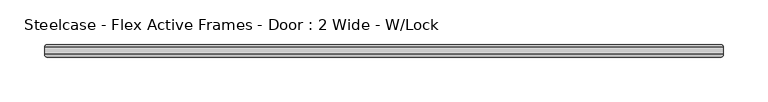
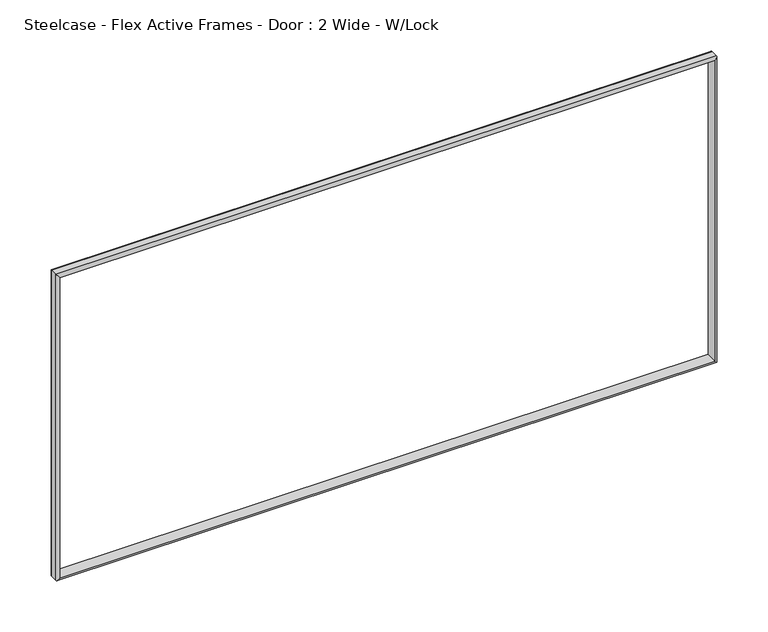
"""IFC4 building model written with IfcOpenShell, lengths in millimetres: furniture geometry, Steelcase - Flex Active Frames - Door : 2 Wide - W/Lock."""

from ifc_helpers import new_model, si_unit, frame, origin, place, context, project, spatial, ellipse_curve, source, transform, mapped, element, save
from ifc_brep_helpers import plane_surface, cylinder_surface, advanced_brep


def steelcase_flex_active_frames_door_2_wide_w_lock_3637c155(model_context):
    return source(origin(), model_context, "Body", "AdvancedBrep", [
        advanced_brep(
        [(774.9260909, -379.5267857, 385.399247), (771.9319422, -382.5209343, 382.4050983), (771.9319422, -382.5209343, 16.3990959), (774.9260909, -379.5267857, 13.4049473), (774.9260909, -371.5066417, 385.399247), (774.9260909, -371.5066417, 13.4049473), (771.9319422, -368.5124931, 382.4050983), (771.9319422, -368.5124931, 16.3990959), (17.9940325, -382.5209343, 16.3990959), (14.9998838, -379.5267857, 13.4049473), (14.9998838, -371.5066417, 13.4049473), (17.9940325, -368.5124931, 16.3990959), (17.9940325, -382.5209343, 382.4050983), (14.9998838, -379.5267857, 385.399247), (14.9998838, -371.5066417, 385.399247), (17.9940325, -368.5124931, 382.4050983)],
        [
            (0, 1, ellipse_curve(frame((771.9319422, -379.5267857, 382.4050983), z_axis=(0.7071067811865475, 0.0, -0.7071067811865475), x_axis=(0.7071067811865474, 0.0, 0.7071067811865476)), 4.2343656, 2.9941486)),
            (1, 2),
            (2, 3, ellipse_curve(frame((771.9319422, -379.5267857, 16.3990959), z_axis=(0.7071067811865475, 0.0, 0.7071067811865475), x_axis=(-0.7071067811865474, 0.0, 0.7071067811865476)), 4.2343656, 2.9941486)),
            (3, 0),
            (4, 0),
            (3, 5),
            (5, 4),
            (6, 4, ellipse_curve(frame((771.9319422, -371.5066417, 382.4050983), z_axis=(0.7071067811865475, 0.0, -0.7071067811865475), x_axis=(0.7071067811865474, 0.0, 0.7071067811865476)), 4.2343656, 2.9941486)),
            (5, 7, ellipse_curve(frame((771.9319422, -371.5066417, 16.3990959), z_axis=(0.7071067811865475, 0.0, 0.7071067811865475), x_axis=(-0.7071067811865474, 0.0, 0.7071067811865476)), 4.2343656, 2.9941486)),
            (7, 6),
            (1, 6),
            (7, 2),
            (2, 8),
            (8, 9, ellipse_curve(frame((17.9940325, -379.5267857, 16.3990959), z_axis=(0.7071067811865426, 0.0, -0.7071067811865525), x_axis=(0.7071067811865525, 0.0, 0.7071067811865426)), 4.2343656, 2.9941486)),
            (9, 3),
            (9, 10),
            (10, 5),
            (10, 11, ellipse_curve(frame((17.9940325, -371.5066417, 16.3990959), z_axis=(0.7071067811865426, 0.0, -0.7071067811865525), x_axis=(0.7071067811865525, 0.0, 0.7071067811865426)), 4.2343656, 2.9941486)),
            (11, 7),
            (11, 8),
            (8, 12),
            (12, 13, ellipse_curve(frame((17.9940325, -379.5267857, 382.4050983), z_axis=(-0.7071067811865526, 0.0, -0.7071067811865426), x_axis=(0.7071067811865426, 0.0, -0.7071067811865523)), 4.2343656, 2.9941486)),
            (13, 9),
            (13, 14),
            (14, 10),
            (14, 15, ellipse_curve(frame((17.9940325, -371.5066417, 382.4050983), z_axis=(-0.7071067811865526, 0.0, -0.7071067811865426), x_axis=(0.7071067811865426, 0.0, -0.7071067811865523)), 4.2343656, 2.9941486)),
            (15, 11),
            (15, 12),
            (12, 1),
            (0, 13),
            (4, 14),
            (6, 15),
        ],
        [
            cylinder_surface(frame((771.9319422, -379.5267857, 385.399247), z_axis=(0.0, 0.0, 1.0), x_axis=(1.0, 0.0, 0.0)), 2.9941486),
            plane_surface(frame((774.9260909, -379.5267857, 385.399247), z_axis=(1.0, 0.0, 0.0), x_axis=(0.0, 0.0, -1.0))),
            cylinder_surface(frame((771.9319422, -371.5066417, 385.399247), z_axis=(0.0, 0.0, 1.0), x_axis=(1.0, 0.0, 0.0)), 2.9941486),
            plane_surface(frame((771.9319422, -368.5124931, 382.4050983), z_axis=(-1.0, 0.0, 0.0), x_axis=(0.0, 0.0, -1.0))),
            cylinder_surface(frame((774.9260909, -379.5267857, 16.3990959), z_axis=(1.0, 0.0, 0.0), x_axis=(0.0, 0.0, -1.0)), 2.9941486),
            plane_surface(frame((774.9260909, -379.5267857, 13.4049473), z_axis=(0.0, 0.0, -1.0), x_axis=(-1.0, 0.0, 0.0))),
            cylinder_surface(frame((774.9260909, -371.5066417, 16.3990959), z_axis=(1.0, 0.0, 0.0), x_axis=(0.0, 0.0, -1.0)), 2.9941486),
            plane_surface(frame((771.9319422, -368.5124931, 16.3990959), z_axis=(0.0, 0.0, 1.0), x_axis=(-1.0, 0.0, 0.0))),
            cylinder_surface(frame((17.9940325, -379.5267857, 13.4049473), z_axis=(0.0, 0.0, -1.0), x_axis=(-1.0, 0.0, 0.0)), 2.9941486),
            plane_surface(frame((14.9998838, -379.5267857, 13.4049473), z_axis=(-1.0, 0.0, 0.0), x_axis=(0.0, 0.0, 1.0))),
            cylinder_surface(frame((17.9940325, -371.5066417, 13.4049473), z_axis=(0.0, 0.0, -1.0), x_axis=(-1.0, 0.0, 0.0)), 2.9941486),
            plane_surface(frame((17.9940325, -368.5124931, 16.3990959), z_axis=(1.0, 0.0, 0.0), x_axis=(0.0, 0.0, 1.0))),
            cylinder_surface(frame((14.9998838, -379.5267857, 382.4050983), z_axis=(-1.0, 0.0, 0.0), x_axis=(0.0, 0.0, 1.0)), 2.9941486),
            plane_surface(frame((14.9998838, -379.5267857, 385.399247), z_axis=(0.0, 0.0, 1.0), x_axis=(1.0, 0.0, 0.0))),
            cylinder_surface(frame((14.9998838, -371.5066417, 382.4050983), z_axis=(-1.0, 0.0, 0.0), x_axis=(0.0, 0.0, 1.0)), 2.9941486),
            plane_surface(frame((17.9940325, -368.5124931, 382.4050983), z_axis=(0.0, 0.0, -1.0), x_axis=(1.0, 0.0, 0.0))),
        ],
        [
            (0, [[1, 2, 3, 4]]),
            (1, [[5, -4, 6, 7]]),
            (2, [[8, -7, 9, 10]]),
            (3, [[11, -10, 12, -2]]),
            (4, [[-3, 13, 14, 15]]),
            (5, [[-6, -15, 16, 17]]),
            (6, [[-9, -17, 18, 19]]),
            (7, [[-12, -19, 20, -13]]),
            (8, [[-14, 21, 22, 23]]),
            (9, [[-16, -23, 24, 25]]),
            (10, [[-18, -25, 26, 27]]),
            (11, [[-20, -27, 28, -21]]),
            (12, [[-22, 29, -1, 30]]),
            (13, [[-24, -30, -5, 31]]),
            (14, [[-26, -31, -8, 32]]),
            (15, [[-28, -32, -11, -29]]),
        ],
    ),
    ])


if __name__ == "__main__":
    model = new_model("IFC4")
    model_context = context("Model", 3, world=origin())
    ifc_project = project(units=[si_unit("LENGTHUNIT", "METRE", prefix="MILLI")], contexts=[model_context])
    site = spatial("IfcSite", under=ifc_project)
    building = spatial("IfcBuilding", under=site)
    placement = place(None, origin())
    steelcase_flex_active_frames_door_2_wide_w_lock_shape = steelcase_flex_active_frames_door_2_wide_w_lock_3637c155(model_context)
    element("IfcFurniture", 1, ObjectType="Steelcase - Flex Active Frames - Door : 2 Wide - W/Lock", at=placement, inside=building, context=model_context, shape_type="MappedRepresentation", body=[
        mapped(steelcase_flex_active_frames_door_2_wide_w_lock_shape, transform((0.0, 0.0, 0.0), x_axis=(1.0, 0.0, 0.0), y_axis=(0.0, 1.0, 0.0), z_axis=(0.0, 0.0, 1.0))),
    ])
    save(model, "model.ifc")
